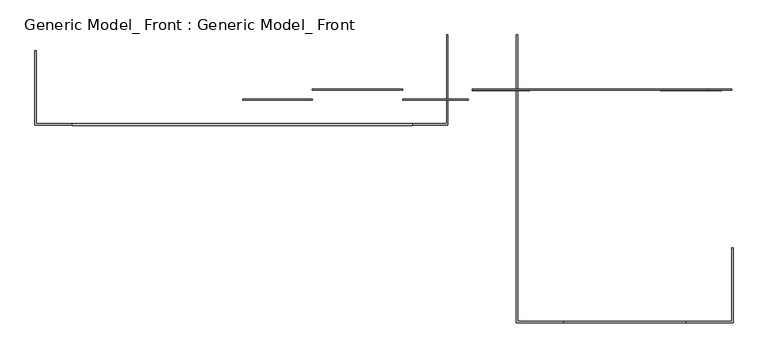
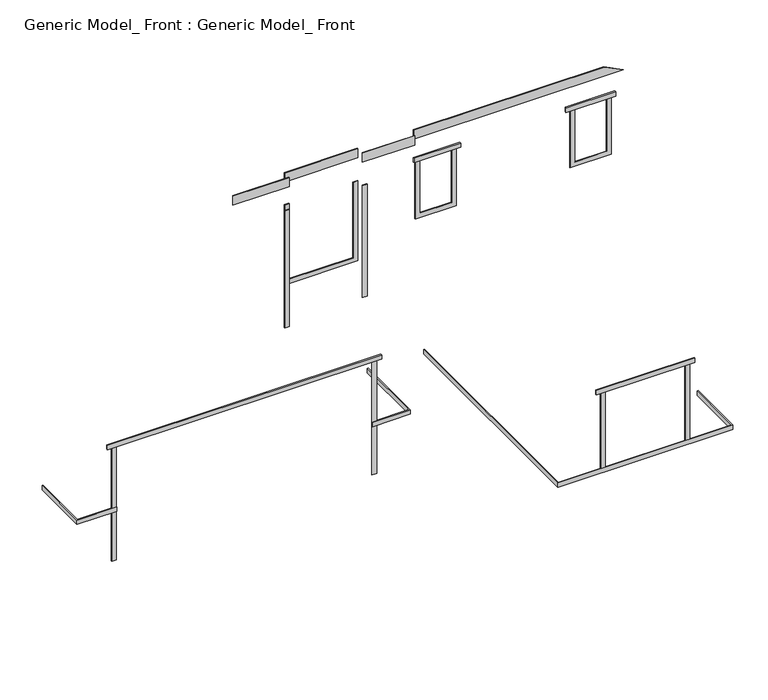
"""IFC4 building model written with IfcOpenShell, lengths in millimetres: proxy geometry, Generic Model_ Front : Generic Model_ Front."""

from ifc_helpers import new_model, si_unit, frame, origin, place, context, project, spatial, polyline, outline, extrude, source, transform, mapped, element, save


def generic_model_front_generic_model_front_fb1d963a(model_context):
    return source(origin(), model_context, "Body", "SweptSolid", [
        extrude(outline(polyline([(-1243.296167, -119.3190671), (-1332.196167, -119.3190671), (-1332.196167, -106.6190671), (-1243.296167, -106.6190671), (-1243.296167, -119.3190671)])), frame((0.0, 0.0, 1219.2), z_axis=(0.0, 0.0, 1.0), x_axis=(1.0, 0.0, 0.0)), (0.0, 0.0, 1.0), 1219.2),
        extrude(outline(polyline([(-1243.296167, -119.3190671), (-1332.196167, -119.3190671), (-1332.196167, -106.6190671), (-1243.296167, -106.6190671), (-1243.296167, -119.3190671)])), frame((0.0, 0.0, 152.4), z_axis=(0.0, 0.0, 1.0), x_axis=(1.0, 0.0, 0.0)), (0.0, 0.0, 1.0), 977.9),
        extrude(outline(polyline([(3722.403833, -119.3190671), (3633.503833, -119.3190671), (3633.503833, -106.6190671), (3722.403833, -106.6190671), (3722.403833, -119.3190671)])), frame((0.0, 0.0, 152.4), z_axis=(0.0, 0.0, 1.0), x_axis=(1.0, 0.0, 0.0)), (0.0, 0.0, 1.0), 977.9),
        extrude(outline(polyline([(3722.403833, -119.3190671), (3633.503833, -119.3190671), (3633.503833, -106.6190671), (3722.403833, -106.6190671), (3722.403833, -119.3190671)])), frame((0.0, 0.0, 1219.2), z_axis=(0.0, 0.0, 1.0), x_axis=(1.0, 0.0, 0.0)), (0.0, 0.0, 1.0), 1219.2),
        extrude(outline(polyline([(3811.303833, -132.0190671), (-1421.096167, -132.0190671), (-1421.096167, -106.6190671), (3811.303833, -106.6190671), (3811.303833, -132.0190671)])), frame((0.0, 0.0, 2438.4), z_axis=(0.0, 0.0, 1.0), x_axis=(1.0, 0.0, 0.0)), (0.0, 0.0, 1.0), 88.9),
        extrude(outline(polyline([(4674.903833, 261.6809329), (3671.603833, 261.6809329), (3671.603833, 274.3809329), (4674.903833, 274.3809329), (4674.903833, 261.6809329)])), frame((0.0, 0.0, 6222.3856518), z_axis=(0.0, 0.0, 1.0), x_axis=(1.0, 0.0, 0.0)), (0.0, 0.0, 1.0), 184.15),
        extrude(outline(polyline([(2274.603833, 261.6809329), (1201.453833, 261.6809329), (1201.453833, 274.3809329), (2274.603833, 274.3809329), (2274.603833, 261.6809329)])), frame((0.0, 0.0, 6222.3856518), z_axis=(0.0, 0.0, 1.0), x_axis=(1.0, 0.0, 0.0)), (0.0, 0.0, 1.0), 184.15),
        extrude(outline(polyline([(2274.603833, 261.6809329), (2185.703833, 261.6809329), (2185.703833, 274.3809329), (2274.603833, 274.3809329), (2274.603833, 261.6809329)])), frame((0.0, 0.0, 3398.262442), z_axis=(0.0, 0.0, 1.0), x_axis=(1.0, 0.0, 0.0)), (0.0, 0.0, 1.0), 2358.012558),
        extrude(outline(polyline([(3760.503833, 261.6809329), (3671.603833, 261.6809329), (3671.603833, 274.3809329), (3760.503833, 274.3809329), (3760.503833, 261.6809329)])), frame((0.0, 0.0, 3493.302981), z_axis=(0.0, 0.0, 1.0), x_axis=(1.0, 0.0, 0.0)), (0.0, 0.0, 1.0), 2262.972019),
        extrude(outline(polyline([(4600.575, 5551.203833), (5756.275, 5551.203833), (5756.275, 5462.303833), (4689.475, 5462.303833), (4689.475, 4852.703833), (5756.275, 4852.703833), (5756.275, 4763.803833), (4600.575, 4763.803833), (4600.575, 5551.203833)])), frame((0.0, 414.0809329, 0.0), z_axis=(0.0, 1.0, 0.0), x_axis=(0.0, 0.0, 1.0)), (0.0, 0.0, 1.0), 12.7),
        extrude(outline(polyline([(4600.575, 8510.303833), (5756.275, 8510.303833), (5756.275, 8421.403833), (4689.475, 8421.403833), (4689.475, 7811.803833), (5756.275, 7811.803833), (5756.275, 7722.903833), (4600.575, 7722.903833), (4600.575, 8510.303833)])), frame((0.0, 414.0809329, 0.0), z_axis=(0.0, 1.0, 0.0), x_axis=(0.0, 0.0, 1.0)), (0.0, 0.0, 1.0), 12.7),
        extrude(outline(polyline([(6222.3856518, 4738.403833), (6222.3856518, 8738.0102443), (6405.1364615, 8372.5875352), (6405.1364615, 4738.403833), (6222.3856518, 4738.403833)])), frame((0.0, 414.0809329, 0.0), z_axis=(0.0, 1.0, 0.0), x_axis=(0.0, 0.0, 1.0)), (0.0, 0.0, 1.0), 12.7),
        extrude(outline(polyline([(5756.275, 2274.603833), (4143.375, 2274.603833), (4143.375, 3671.603833), (5756.275, 3671.603833), (5756.275, 3582.703833), (4232.275, 3582.703833), (4232.275, 2363.503833), (5756.275, 2363.503833), (5756.275, 2274.603833)])), frame((0.0, 414.0809329, 0.0), z_axis=(0.0, 1.0, 0.0), x_axis=(0.0, 0.0, 1.0)), (0.0, 0.0, 1.0), 12.7),
        extrude(outline(polyline([(3671.603833, 414.0809329), (2274.603833, 414.0809329), (2274.603833, 426.7809329), (3671.603833, 426.7809329), (3671.603833, 414.0809329)])), frame((0.0, 0.0, 6222.3856518), z_axis=(0.0, 0.0, 1.0), x_axis=(1.0, 0.0, 0.0)), (0.0, 0.0, 1.0), 182.7508097),
        extrude(outline(polyline([(5627.403833, 401.3809329), (4738.403833, 401.3809329), (4738.403833, 426.7809329), (5627.403833, 426.7809329), (5627.403833, 401.3809329)])), frame((0.0, 0.0, 5756.275), z_axis=(0.0, 0.0, 1.0), x_axis=(1.0, 0.0, 0.0)), (0.0, 0.0, 1.0), 88.9),
        extrude(outline(polyline([(8586.503833, 401.3809329), (7634.003833, 401.3809329), (7634.003833, 426.7809329), (8586.503833, 426.7809329), (8586.503833, 401.3809329)])), frame((0.0, 0.0, 5756.275), z_axis=(0.0, 0.0, 1.0), x_axis=(1.0, 0.0, 0.0)), (0.0, 0.0, 1.0), 88.9),
        extrude(outline(polyline([(8738.903833, -3154.6190671), (8738.903833, -2024.3190671), (8757.953833, -2024.3190671), (8757.953833, -3173.6690671), (5417.853833, -3173.6690671), (5417.853833, 1264.9809329), (5436.903833, 1264.9809329), (5436.903833, -3154.6190671), (8738.903833, -3154.6190671)])), frame((0.0, 0.0, 1130.3), z_axis=(0.0, 0.0, 1.0), x_axis=(1.0, 0.0, 0.0)), (0.0, 0.0, 1.0), 88.9),
        extrude(outline(polyline([(4344.703833, 1264.9809329), (4363.753833, 1264.9809329), (4363.753833, -125.6690671), (3633.503833, -125.6690671), (3633.503833, -106.6190671), (4344.703833, -106.6190671), (4344.703833, 1264.9809329)])), frame((0.0, 0.0, 1130.3), z_axis=(0.0, 0.0, 1.0), x_axis=(1.0, 0.0, 0.0)), (0.0, 0.0, 1.0), 88.9),
        extrude(outline(polyline([(-1243.296167, -106.6190671), (-1243.296167, -125.6690671), (-1998.946167, -125.6690671), (-1998.946167, 1023.6809329), (-1979.896167, 1023.6809329), (-1979.896167, -106.6190671), (-1243.296167, -106.6190671)])), frame((0.0, 0.0, 1130.3), z_axis=(0.0, 0.0, 1.0), x_axis=(1.0, 0.0, 0.0)), (0.0, 0.0, 1.0), 88.9),
        extrude(outline(polyline([(8027.703833, -3180.0190671), (6148.103833, -3180.0190671), (6148.103833, -3154.6190671), (8027.703833, -3154.6190671), (8027.703833, -3180.0190671)])), frame((0.0, 0.0, 2743.2), z_axis=(0.0, 0.0, 1.0), x_axis=(1.0, 0.0, 0.0)), (0.0, 0.0, 1.0), 88.9),
        extrude(outline(polyline([(6325.903833, -3167.3190671), (6237.003833, -3167.3190671), (6237.003833, -3154.6190671), (6325.903833, -3154.6190671), (6325.903833, -3167.3190671)])), frame((0.0, 0.0, 1219.2), z_axis=(0.0, 0.0, 1.0), x_axis=(1.0, 0.0, 0.0)), (0.0, 0.0, 1.0), 1524.0),
        extrude(outline(polyline([(7938.803833, -3167.3190671), (7849.903833, -3167.3190671), (7849.903833, -3154.6190671), (7938.803833, -3154.6190671), (7938.803833, -3167.3190671)])), frame((0.0, 0.0, 1219.2), z_axis=(0.0, 0.0, 1.0), x_axis=(1.0, 0.0, 0.0)), (0.0, 0.0, 1.0), 1524.0),
    ])


if __name__ == "__main__":
    model = new_model("IFC4")
    model_context = context("Model", 3, world=origin())
    ifc_project = project(units=[si_unit("LENGTHUNIT", "METRE", prefix="MILLI")], contexts=[model_context])
    site = spatial("IfcSite", under=ifc_project)
    building = spatial("IfcBuilding", under=site)
    placement = place(None, origin())
    generic_model_front_generic_model_front_shape = generic_model_front_generic_model_front_fb1d963a(model_context)
    element("IfcBuildingElementProxy", 1, Name="Generic Model_ Front : Generic Model_ Front", ObjectType="Generic Model_ Front : Generic Model_ Front", at=placement, inside=building, context=model_context, shape_type="MappedRepresentation", body=[
        mapped(generic_model_front_generic_model_front_shape, transform((0.0, 0.0, 0.0), x_axis=(1.0, 0.0, 0.0), y_axis=(0.0, 1.0, 0.0), z_axis=(0.0, 0.0, 1.0))),
    ])
    save(model, "model.ifc")
